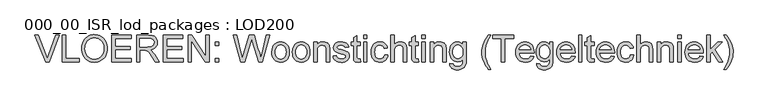
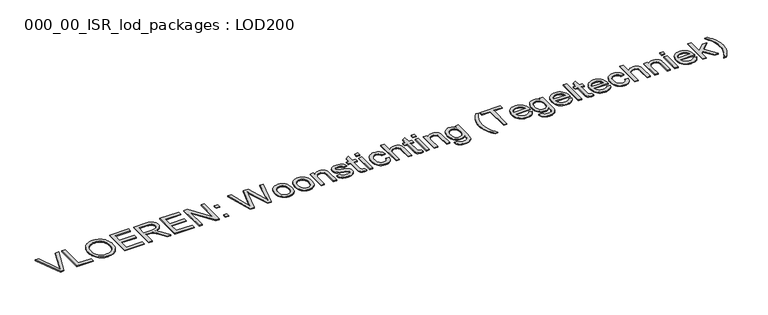
"""IFC4 building model written with IfcOpenShell, lengths in millimetres: proxy geometry, 000_00_ISR_lod_packages : LOD200."""

import ifcopenshell
import ifcopenshell.guid

model = None  # the IFC model being written
_history = None  # IfcOwnerHistory: only IFC2X3 demands one
_inside = {}  # id of a spatial element -> (the spatial element, [elements in it])
_under = {}  # id of a project, library or spatial element -> (it, [spatial elements below it])
_declared = {}  # id of a project -> (the project, [libraries it declares])
_typed = {}  # id of a type object -> (the type object, [elements of that type])
_made_of = {}  # id of a material, layer set ... -> (it, [elements and type objects made of it])


def new_model(schema):
    """Start an empty IFC model of exactly this schema.

    Asked for "IFC4X3", IfcOpenShell would pick the latest addendum, in which some entities
    have other attributes; the version numbers below select the first issue.
    IFC2X3 requires an IfcOwnerHistory on every rooted entity: one is made here for all.
    """
    global model, _history
    if schema == "IFC4X3":
        model = ifcopenshell.file(schema_version=(4, 3, 0, 0))
    else:
        model = ifcopenshell.file(schema=schema)
    _inside.clear()
    _under.clear()
    _declared.clear()
    _typed.clear()
    _made_of.clear()
    _history = None
    if model.schema == "IFC2X3":
        org = make("IfcOrganization", Name="unknown")
        user = make(
            "IfcPersonAndOrganization",
            ThePerson=make("IfcPerson", FamilyName="unknown"),
            TheOrganization=org,
        )
        app = make(
            "IfcApplication",
            ApplicationDeveloper=org,
            Version="unknown",
            ApplicationFullName="unknown",
            ApplicationIdentifier="unknown",
        )
        _history = make(
            "IfcOwnerHistory",
            OwningUser=user,
            OwningApplication=app,
            ChangeAction="ADDED",
            CreationDate=0,
        )
    return model


def make(cls, **values):
    """One entity of the class cls with the attributes given. An attribute that is None is left unset."""
    return model.create_entity(
        cls, **{name: value for name, value in values.items() if value is not None}
    )


def rooted(cls, **values):
    """An entity with a GlobalId (a new one), such as an element, a storey or a relation."""
    return make(cls, GlobalId=ifcopenshell.guid.new(), OwnerHistory=_history, **values)


def si_unit(unit_type, name, prefix=None):
    """IfcSIUnit, for example si_unit("LENGTHUNIT", "METRE", prefix="MILLI")."""
    return make("IfcSIUnit", UnitType=unit_type, Prefix=prefix, Name=name)


def assignment(units):
    """IfcUnitAssignment: the units of a project."""
    return None if units is None else make("IfcUnitAssignment", Units=units)


def point(xyz):
    """IfcCartesianPoint."""
    return None if xyz is None else make("IfcCartesianPoint", Coordinates=xyz)


def direction(xyz):
    """IfcDirection."""
    return None if xyz is None else make("IfcDirection", DirectionRatios=xyz)


def frame(location, z_axis=None, x_axis=None):
    """IfcAxis2Placement3D, a coordinate frame: its origin and axes. An axis left out is left unset."""
    return make(
        "IfcAxis2Placement3D",
        Location=point(location),
        Axis=direction(z_axis),
        RefDirection=direction(x_axis),
    )


def origin():
    """The frame at (0, 0, 0) with its axes left unset."""
    return frame((0.0, 0.0, 0.0))


def origin_with_axes():
    """The frame at (0, 0, 0) with the z axis (0, 0, 1) and the x axis (1, 0, 0) written out."""
    return frame((0.0, 0.0, 0.0), z_axis=(0.0, 0.0, 1.0), x_axis=(1.0, 0.0, 0.0))


def place(relative_to, where):
    """IfcLocalPlacement: puts the frame where relative to a parent placement (None: the world)."""
    return make(
        "IfcLocalPlacement", PlacementRelTo=relative_to, RelativePlacement=where
    )


def context(
    kind, dimensions, precision=None, world=None, true_north=None, identifier=None
):
    """IfcGeometricRepresentationContext, for example the 3D "Model" context."""
    return make(
        "IfcGeometricRepresentationContext",
        ContextIdentifier=identifier,
        ContextType=kind,
        CoordinateSpaceDimension=dimensions,
        Precision=precision,
        WorldCoordinateSystem=world,
        TrueNorth=true_north,
    )


def project(units=None, contexts=None):
    """IfcProject with its units and contexts."""
    return rooted(
        "IfcProject",
        Name="project",
        RepresentationContexts=contexts,
        UnitsInContext=assignment(units),
    )


def spatial(cls, under=None, at=None, **own):
    """A site, building, storey or space (cls), placed at a placement, below another one or the project."""
    s = rooted(cls, ObjectPlacement=at, **own)
    if under is not None:
        _under.setdefault(under.id(), (under, []))[1].append(s)
    return s


def polyline(points):
    """IfcPolyline through the points."""
    return make("IfcPolyline", Points=[point(p) for p in points])


def outline(outer, holes=None, kind="AREA"):
    """IfcArbitraryClosedProfileDef: a profile drawn as a closed curve; with holes, ...WithVoids."""
    if holes is None:
        return make("IfcArbitraryClosedProfileDef", ProfileType=kind, OuterCurve=outer)
    return make(
        "IfcArbitraryProfileDefWithVoids",
        ProfileType=kind,
        OuterCurve=outer,
        InnerCurves=holes,
    )


def extrude(swept, where, along, depth):
    """IfcExtrudedAreaSolid: the profile swept, set in the frame where, extruded along a direction by depth."""
    return make(
        "IfcExtrudedAreaSolid",
        SweptArea=swept,
        Position=where,
        ExtrudedDirection=direction(along),
        Depth=depth,
    )


def shape(context_of_items, identifier, shape_type, items):
    """IfcShapeRepresentation: the items that make up one representation, for example the "Body"."""
    return make(
        "IfcShapeRepresentation",
        ContextOfItems=context_of_items,
        RepresentationIdentifier=identifier,
        RepresentationType=shape_type,
        Items=items,
    )


def source(mapping_origin, context_of_items, identifier, shape_type, items):
    """IfcRepresentationMap: a shape defined once, which mapped items show again and again."""
    return make(
        "IfcRepresentationMap",
        MappingOrigin=mapping_origin,
        MappedRepresentation=shape(context_of_items, identifier, shape_type, items),
    )


def transform(
    local_origin,
    x_axis=None,
    y_axis=None,
    z_axis=None,
    scale=None,
    scale2=None,
    scale3=None,
    uniform=True,
):
    """IfcCartesianTransformationOperator3D, or its non-uniform kind. x_axis, y_axis, z_axis: its Axis1, 2, 3."""
    if uniform:
        return make(
            "IfcCartesianTransformationOperator3D",
            Axis1=direction(x_axis),
            Axis2=direction(y_axis),
            LocalOrigin=point(local_origin),
            Scale=scale,
            Axis3=direction(z_axis),
        )
    return make(
        "IfcCartesianTransformationOperator3DnonUniform",
        Axis1=direction(x_axis),
        Axis2=direction(y_axis),
        LocalOrigin=point(local_origin),
        Scale=scale,
        Axis3=direction(z_axis),
        Scale2=scale2,
        Scale3=scale3,
    )


def mapped(mapping_source, mapping_target):
    """IfcMappedItem: shows the shape of a source again, moved by a transform."""
    return make(
        "IfcMappedItem", MappingSource=mapping_source, MappingTarget=mapping_target
    )


def made_of(thing, what):
    """Note that an element or type object is made of a material, layer set ...; save() writes the relation."""
    if what is not None:
        _made_of.setdefault(what.id(), (what, []))[1].append(thing)
    return thing


def element(
    cls,
    number,
    at=None,
    inside=None,
    cuts=None,
    type_object=None,
    material=None,
    context=None,
    identifier="Body",
    shape_type=None,
    held_by="IfcProductDefinitionShape",
    body=None,
    shapes=None,
    **own,
):
    """One element of the class cls, such as IfcWall. Its Tag is "e" and its number.

    at: its placement. inside: the storey or other place that contains it. cuts: it is an
    opening in that element (IfcRelVoidsElement). A single representation is given by context,
    identifier, shape_type and body (its items); several are given by shapes. held_by: the class
    of the entity that holds the representations. save() writes the other relations.
    """
    e = rooted(cls, Tag="e%d" % number, ObjectPlacement=at, **own)
    if body is not None:
        shapes = [shape(context, identifier, shape_type, body)]
    if shapes is not None:
        e.Representation = make(held_by, Representations=shapes)
    if inside is not None:
        _inside.setdefault(inside.id(), (inside, []))[1].append(e)
    if cuts is not None:
        rooted(
            "IfcRelVoidsElement", RelatingBuildingElement=cuts, RelatedOpeningElement=e
        )
    if type_object is not None:
        _typed.setdefault(type_object.id(), (type_object, []))[1].append(e)
    return made_of(e, material)


def aggregate(whole, parts):
    """IfcRelAggregates: a whole, such as a stair, and the parts it consists of."""
    return rooted("IfcRelAggregates", RelatingObject=whole, RelatedObjects=parts)


def save(model, path):
    """Write the relations noted so far, then the file.

    IfcRelAggregates (storeys below a building ...), IfcRelContainedInSpatialStructure (elements
    in a storey), IfcRelDefinesByType, IfcRelAssociatesMaterial and IfcRelDeclares: one each for
    every whole, place, type object, material and project.
    """
    for whole, parts in _under.values():
        aggregate(whole, parts)
    for where, things in _inside.values():
        rooted(
            "IfcRelContainedInSpatialStructure",
            RelatedElements=things,
            RelatingStructure=where,
        )
    for kind, things in _typed.values():
        rooted("IfcRelDefinesByType", RelatedObjects=things, RelatingType=kind)
    for what, things in _made_of.values():
        rooted("IfcRelAssociatesMaterial", RelatedObjects=things, RelatingMaterial=what)
    for by, libraries in _declared.values():
        rooted("IfcRelDeclares", RelatingContext=by, RelatedDefinitions=libraries)
    model.write(path)


def proxy_000_00_isr_lod_packages_lod200_788804a2(model_context):
    return source(origin(), model_context, "Body", "SweptSolid", [
        extrude(outline(polyline([(823.5806792, 500.0), (505.4645712, 1299.3886983), (612.4140357, 1299.3886983), (825.3371485, 723.4619286), (868.4682281, 593.6783631), (911.013818, 723.4619286), (1124.5224206, 1299.3886983), (1231.4718851, 1299.3886983), (926.8220418, 500.0), (823.5806792, 500.0)])), origin_with_axes(), (0.0, 0.0, 1.0), 25.0),
        extrude(outline(polyline([(1324.3695952, 500.0), (1324.3695952, 1299.3886983), (1424.2931825, 1299.3886983), (1424.2931825, 599.9235873), (1823.9875316, 599.9235873), (1823.9875316, 500.0), (1324.3695952, 500.0)])), origin_with_axes(), (0.0, 0.0, 1.0), 25.0),
        extrude(outline(polyline([(1898.9302221, 889.1555333), (1900.5952086, 937.3822036), (1905.5901682, 982.9192803), (1913.9151009, 1025.7667634), (1925.5700066, 1065.9246528), (1940.5548854, 1103.3929486), (1958.8697372, 1138.1716508), (1980.5145621, 1170.2607594), (2005.4893601, 1199.6602743), (2033.0958126, 1225.9615725), (2062.6356011, 1248.756031), (2094.1087257, 1268.0436497), (2127.5151862, 1283.8244286), (2162.8549827, 1296.0983678), (2200.1281153, 1304.8654672), (2239.3345839, 1310.1257269), (2280.4743884, 1311.8791468), (2334.2540633, 1308.5857668), (2385.3258479, 1298.7056269), (2433.6897424, 1282.2387272), (2479.3457467, 1259.1850675), (2521.013102, 1230.239917), (2557.4110493, 1196.0985449), (2588.5395887, 1156.760951), (2614.3987202, 1112.2271354), (2634.7200943, 1063.5095075), (2649.2353614, 1011.6204767), (2657.9445218, 956.560043), (2660.8475752, 898.3282064), (2657.7920505, 839.3279144), (2648.6254763, 783.5234208), (2633.3478526, 730.9147255), (2611.9591795, 681.5018285), (2584.9656616, 636.5898841), (2552.8735036, 597.4840466), (2515.6827055, 564.184316), (2473.3932674, 536.6906922), (2427.6701757, 515.1739432), (2380.1784171, 499.8048367), (2330.9179914, 490.5833729), (2279.8888987, 487.5095516), (2225.1700006, 490.906612), (2173.4273423, 501.0977933), (2124.6609236, 518.0830955), (2078.8707445, 541.8625185), (2037.2521801, 571.5151358), (2001.0006052, 606.1200207), (1970.1160199, 645.6771732), (1944.5984241, 690.1865934), (1924.6185857, 737.8613176), (1910.3472726, 786.9143824), (1901.7844847, 837.3457876), (1898.9302221, 889.1555333)]), holes=[polyline([(1998.8538094, 888.179717), (2003.848769, 821.9339892), (2018.8336478, 763.1288605), (2043.8084457, 711.7643309), (2078.7731629, 667.8404005), (2121.2760608, 632.6622236), (2168.8654011, 607.5349543), (2221.5411838, 592.4585927), (2279.3034089, 587.4331389), (2338.0536479, 592.5073835), (2391.3515135, 607.7301175), (2439.1970056, 633.1013409), (2481.5901242, 668.6210536), (2500.1839985, 689.9822819), (2516.2986896, 713.4720094), (2541.090522, 766.8369624), (2555.9656214, 828.7159123), (2560.9239879, 899.1088594), (2558.8015875, 944.8380499), (2552.4343863, 987.5666054), (2541.8223842, 1027.2945258), (2526.9655813, 1064.0218111), (2508.0286466, 1097.266652), (2485.176249, 1126.5472394), (2458.4083886, 1151.863573), (2427.7250654, 1173.2156531), (2394.0777002, 1190.1643621), (2358.417714, 1202.2705829), (2320.7451066, 1209.5343153), (2281.0598782, 1211.9555595), (2225.3041754, 1207.2899379), (2173.5737147, 1193.2930731), (2125.8684962, 1169.9649651), (2082.1885199, 1137.3056139), (2062.6569471, 1117.0833461), (2045.729584, 1093.7415157), (2031.4064307, 1067.2801226), (2019.687487, 1037.6991669), (2010.5727531, 1004.9986484), (2004.0622288, 969.1785673), (1998.8538094, 888.179717)])]), origin_with_axes(), (0.0, 0.0, 1.0), 25.0),
        extrude(outline(polyline([(2798.2425077, 500.0), (2798.2425077, 1299.3886983), (3372.8031347, 1299.3886983), (3372.8031347, 1199.465111), (2898.166095, 1199.465111), (2898.166095, 962.1465912), (3347.8222378, 962.1465912), (3347.8222378, 862.2230039), (2898.166095, 862.2230039), (2898.166095, 599.9235873), (3385.2935831, 599.9235873), (3385.2935831, 500.0), (2798.2425077, 500.0)])), origin_with_axes(), (0.0, 0.0, 1.0), 25.0),
        extrude(outline(polyline([(3535.178964, 500.0), (3535.178964, 1299.3886983), (3879.6421116, 1299.3886983), (3972.2226814, 1293.9973134), (4009.0536472, 1287.2580822), (4039.5784003, 1277.8231585), (4065.5717065, 1264.966779), (4088.8083317, 1247.9631803), (4109.2882759, 1226.8123624), (4127.0115391, 1201.5143252), (4141.3133465, 1173.4291129), (4151.5289232, 1143.9167692), (4157.6582693, 1112.9772942), (4159.7013846, 1080.6106879), (4156.3165219, 1039.5532178), (4146.1619337, 1001.8623139), (4129.23762, 967.5379762), (4105.5435809, 936.5802046), (4074.7748738, 909.9770132), (4036.626556, 888.716416), (3991.0986276, 872.7984129), (3938.1910885, 862.2230039), (3971.1248881, 840.7062549), (3994.9835962, 819.4822508), (4035.9190892, 770.9353907), (4075.9763476, 716.6312146), (4209.2728517, 500.0), (4093.1507142, 500.0), (3989.1286985, 665.6936047), (3913.9908448, 775.3753548), (3886.0581037, 807.3577335), (3861.1991839, 827.1911994), (3837.6576161, 838.8278086), (3813.6769309, 846.2196169), (3755.7134438, 849.7325555), (3635.1025513, 849.7325555), (3635.1025513, 500.0), (3535.178964, 500.0)]), holes=[polyline([(3635.1025513, 949.6561428), (3858.7596432, 949.6561428), (3922.99275, 953.1934768), (3972.8325666, 963.8054789), (4010.3527026, 982.1996158), (4025.270494, 994.5802849), (4037.6267677, 1009.0833544), (4054.2400399, 1041.602432), (4059.7777973, 1076.902586), (4057.1369945, 1102.4567749), (4049.2145861, 1125.6446093), (4036.010572, 1146.4660892), (4017.5249523, 1164.9212147), (3993.3308073, 1180.0341693), (3963.0012175, 1190.829137), (3926.5361828, 1197.3061175), (3883.9357033, 1199.465111), (3635.1025513, 1199.465111), (3635.1025513, 949.6561428)])]), origin_with_axes(), (0.0, 0.0, 1.0), 25.0),
        extrude(outline(polyline([(4334.5676624, 500.0), (4334.5676624, 1299.3886983), (4909.1282893, 1299.3886983), (4909.1282893, 1199.465111), (4434.4912497, 1199.465111), (4434.4912497, 962.1465912), (4884.1473925, 962.1465912), (4884.1473925, 862.2230039), (4434.4912497, 862.2230039), (4434.4912497, 599.9235873), (4921.6187377, 599.9235873), (4921.6187377, 500.0), (4334.5676624, 500.0)])), origin_with_axes(), (0.0, 0.0, 1.0), 25.0),
        extrude(outline(polyline([(5071.5041186, 500.0), (5071.5041186, 1299.3886983), (5178.4535832, 1299.3886983), (5596.1029519, 666.0839312), (5596.1029519, 1299.3886983), (5696.0265392, 1299.3886983), (5696.0265392, 500.0), (5589.0770747, 500.0), (5171.4277059, 1133.4999304), (5171.4277059, 500.0), (5071.5041186, 500.0)])), origin_with_axes(), (0.0, 0.0, 1.0), 25.0),
        extrude(outline(polyline([(5883.3832654, 500.0), (5883.3832654, 599.9235873), (5983.3068527, 599.9235873), (5983.3068527, 500.0), (5883.3832654, 500.0)])), origin_with_axes(), (0.0, 0.0, 1.0), 25.0),
        extrude(outline(polyline([(5883.3832654, 987.1274881), (5883.3832654, 1087.0510753), (5983.3068527, 1087.0510753), (5983.3068527, 987.1274881), (5883.3832654, 987.1274881)])), origin_with_axes(), (0.0, 0.0, 1.0), 25.0),
        extrude(outline(polyline([(6638.4699045, 500.0), (6420.4725471, 1299.3886983), (6523.5187465, 1299.3886983), (6649.9845367, 774.009212), (6689.0171879, 611.8285459), (6730.7821248, 755.2735394), (6889.254689, 1299.3886983), (7037.7739272, 1299.3886983), (7152.9202485, 904.9637571), (7202.2477615, 758.5913148), (7238.5969181, 611.8285459), (7276.4585898, 769.3252939), (7404.0953595, 1299.3886983), (7507.1415589, 1299.3886983), (7288.9490382, 500.0), (7182.1947369, 500.0), (6990.5444191, 1116.7158903), (6963.807053, 1202.7828864), (6933.7519115, 1099.1511972), (6759.080797, 500.0), (6638.4699045, 500.0)])), origin_with_axes(), (0.0, 0.0, 1.0), 25.0),
        extrude(outline(polyline([(7569.593801, 793.5255377), (7574.9973836, 869.5538238), (7581.751862, 903.6250591), (7591.2081316, 935.0676894), (7603.3661926, 963.8817146), (7618.2260449, 990.0671346), (7635.7876886, 1013.6239495), (7656.0511236, 1034.5521594), (7694.132354, 1062.9850063), (7736.1656403, 1083.2941827), (7782.1509826, 1095.4796885), (7832.0883809, 1099.5415238), (7887.215902, 1094.595355), (7937.0618174, 1079.7568486), (7981.6261273, 1055.0260047), (8020.9088315, 1020.4028233), (8052.9704952, 977.0582838), (8075.8716836, 926.1633658), (8089.6123966, 867.7180694), (8094.1926342, 801.7223944), (8092.1678155, 748.2354645), (8086.0933591, 700.7742001), (8075.9692652, 659.3386012), (8061.7955337, 623.9286678), (8043.7490313, 593.3429262), (8022.0066248, 566.3799026), (7996.5683141, 543.0395969), (7967.4340992, 523.3220091), (7935.7383666, 507.654059), (7902.6155027, 496.462666), (7868.0655074, 489.7478302), (7832.0883809, 487.5095516), (7776.1558113, 492.4374238), (7725.8463831, 507.2210405), (7681.1600963, 531.8604016), (7642.0969507, 566.3555072), (7610.3768227, 610.1208674), (7587.7195884, 662.5709926), (7574.1252478, 723.7058827), (7569.593801, 793.5255377)]), holes=[polyline([(7669.5173883, 793.7207009), (7672.408244, 745.253126), (7681.0808112, 703.286927), (7695.5350899, 667.822104), (7715.77108, 638.858657), (7740.3860457, 616.3599928), (7767.9772511, 600.2895184), (7798.5446962, 590.6472338), (7832.0883809, 587.4331389), (7865.4612977, 590.6655303), (7895.9067657, 600.3627046), (7923.4247849, 616.5246618), (7948.0153552, 639.1514018), (7968.2513453, 668.4014949), (7982.705624, 704.4335111), (7991.3781912, 747.2474505), (7994.269047, 796.843313), (7991.3598947, 843.7739774), (7982.6324378, 884.642383), (7968.0866763, 919.44853), (7947.7226103, 948.1924184), (7923.0405572, 970.6910825), (7895.5408346, 986.7615569), (7865.2234425, 996.4038416), (7832.0883809, 999.6179365), (7798.5446962, 996.4160393), (7767.9772511, 986.8103478), (7740.3860457, 970.8008619), (7715.77108, 948.3875817), (7695.5350899, 919.5095186), (7681.0808112, 884.1056841), (7672.408244, 842.1760782), (7669.5173883, 793.7207009)])]), origin_with_axes(), (0.0, 0.0, 1.0), 25.0),
        extrude(outline(polyline([(8181.6257731, 793.5255377), (8187.0293558, 869.5538238), (8193.7838341, 903.6250591), (8203.2401038, 935.0676894), (8215.3981648, 963.8817146), (8230.2580171, 990.0671346), (8247.8196607, 1013.6239495), (8268.0830957, 1034.5521594), (8306.1643261, 1062.9850063), (8348.1976125, 1083.2941827), (8394.1829548, 1095.4796885), (8444.120353, 1099.5415238), (8499.2478741, 1094.595355), (8549.0937896, 1079.7568486), (8593.6580994, 1055.0260047), (8632.9408036, 1020.4028233), (8665.0024673, 977.0582838), (8687.9036557, 926.1633658), (8701.6443687, 867.7180694), (8706.2246064, 801.7223944), (8704.1997876, 748.2354645), (8698.1253313, 700.7742001), (8688.0012373, 659.3386012), (8673.8275058, 623.9286678), (8655.7810035, 593.3429262), (8634.0385969, 566.3799026), (8608.6002862, 543.0395969), (8579.4660714, 523.3220091), (8547.7703388, 507.654059), (8514.6474748, 496.462666), (8480.0974796, 489.7478302), (8444.120353, 487.5095516), (8388.1877835, 492.4374238), (8337.8783553, 507.2210405), (8293.1920684, 531.8604016), (8254.1289229, 566.3555072), (8222.4087949, 610.1208674), (8199.7515606, 662.5709926), (8186.15722, 723.7058827), (8181.6257731, 793.5255377)]), holes=[polyline([(8281.5493604, 793.7207009), (8284.4402162, 745.253126), (8293.1127834, 703.286927), (8307.567062, 667.822104), (8327.8030522, 638.858657), (8352.4180179, 616.3599928), (8380.0092233, 600.2895184), (8410.5766683, 590.6472338), (8444.120353, 587.4331389), (8477.4932699, 590.6655303), (8507.9387379, 600.3627046), (8535.456757, 616.5246618), (8560.0473274, 639.1514018), (8580.2833175, 668.4014949), (8594.7375962, 704.4335111), (8603.4101634, 747.2474505), (8606.3010191, 796.843313), (8603.3918668, 843.7739774), (8594.66441, 884.642383), (8580.1186485, 919.44853), (8559.7545825, 948.1924184), (8535.0725294, 970.6910825), (8507.5728068, 986.7615569), (8477.2554147, 996.4038416), (8444.120353, 999.6179365), (8410.5766683, 996.4160393), (8380.0092233, 986.8103478), (8352.4180179, 970.8008619), (8327.8030522, 948.3875817), (8307.567062, 919.5095186), (8293.1127834, 884.1056841), (8284.4402162, 842.1760782), (8281.5493604, 793.7207009)])]), origin_with_axes(), (0.0, 0.0, 1.0), 25.0),
        extrude(outline(polyline([(8818.6386421, 500.0), (8818.6386421, 1087.0510753), (8918.5622294, 1087.0510753), (8918.5622294, 1005.0825076), (8935.0474257, 1027.2213395), (8953.2768937, 1046.4083272), (8973.2506332, 1062.6434706), (8994.9686443, 1075.9267697), (9018.430927, 1086.2582246), (9043.6374814, 1093.6378352), (9099.2834049, 1099.5415238), (9148.5377317, 1094.7844194), (9193.6448394, 1080.5131063), (9231.262557, 1058.5084491), (9258.048714, 1030.5513126), (9276.2232922, 996.714883), (9288.0062738, 957.0723466), (9291.9583298, 919.161884), (9293.2756818, 860.4665346), (9293.2756818, 500.0), (9193.3520945, 500.0), (9193.3520945, 847.0002699), (9190.4734364, 898.6697421), (9181.8374623, 935.4092251), (9165.9072615, 961.7318693), (9141.1459234, 982.150825), (9109.4074988, 995.2511586), (9072.5460387, 999.6179365), (9042.2042512, 997.1661981), (9014.0214572, 989.8109828), (8987.9976567, 977.5522908), (8964.1328498, 960.3901219), (8944.1957034, 936.3728437), (8929.9548845, 903.5488235), (8921.4103932, 861.9180613), (8918.5622294, 811.4805573), (8918.5622294, 500.0), (8818.6386421, 500.0)])), origin_with_axes(), (0.0, 0.0, 1.0), 25.0),
        extrude(outline(polyline([(9393.1992691, 674.8662778), (9493.1228563, 687.3567262), (9499.1607196, 664.571416), (9508.8822893, 644.615973), (9522.2875655, 627.4903973), (9539.3765481, 613.1946887), (9560.198028, 601.9240107), (9584.8007961, 593.8735263), (9613.1848522, 589.0432357), (9645.3501964, 587.4331389), (9677.4789475, 588.909061), (9705.1677345, 593.3368274), (9728.4165574, 600.716438), (9747.2254162, 611.0478929), (9761.7406834, 623.3675735), (9772.1087314, 636.7118611), (9778.3295602, 651.0807559), (9780.4031698, 666.4742577), (9778.3173625, 679.9649178), (9772.0599406, 691.9430627), (9761.6309041, 702.4086923), (9747.030253, 711.3618067), (9709.6076985, 724.0474184), (9644.1792168, 739.8556422), (9552.9891853, 766.2270772), (9493.7083461, 788.7440379), (9455.6271157, 813.3102128), (9440.5202599, 828.5756388), (9428.0359103, 845.8292904), (9411.2762657, 884.2276611), (9405.6897175, 926.4317153), (9410.1784724, 965.1472263), (9423.6447371, 1000.8864976), (9444.8687412, 1032.2345957), (9472.6307144, 1057.7765869), (9500.2219198, 1073.8531601), (9536.1563544, 1087.3438202), (9577.7017326, 1096.4920979), (9622.1257688, 1099.5415238), (9687.1639241, 1094.6380469), (9743.7124776, 1079.9276165), (9789.1855164, 1056.8495614), (9806.7990002, 1042.712423), (9820.9971272, 1026.8432107), (9842.0747588, 987.6885824), (9855.3458603, 937.1656944), (9755.422273, 924.675246), (9750.6590698, 941.3678033), (9742.8098475, 956.1209257), (9731.8746063, 968.9346132), (9717.8533461, 979.8088659), (9700.6850784, 988.4753343), (9680.3088147, 994.6656688), (9629.9322991, 999.6179365), (9572.5543017, 994.8852275), (9551.0375527, 988.9693413), (9534.3023035, 980.6871006), (9512.7855544, 960.1949587), (9507.4063672, 948.7779082), (9505.6133048, 936.5802046), (9508.5895444, 921.2110982), (9517.5182634, 907.5008794), (9532.7897882, 895.2543851), (9554.7944454, 885.4474315), (9640.8614415, 864.1746365), (9729.1484196, 838.071551), (9787.5266287, 817.1402917), (9826.2665351, 794.6477264), (9855.6386052, 763.8607227), (9866.4396716, 745.332411), (9874.1547191, 724.681699), (9878.7837476, 701.9085865), (9880.3267571, 677.0130736), (9878.5153981, 652.0077814), (9873.0813212, 627.7343513), (9864.0245263, 604.1927835), (9851.3450135, 581.3830779), (9835.2501437, 560.2139635), (9815.9472779, 541.594169), (9793.436416, 525.5236946), (9767.7175581, 512.0025403), (9739.4920722, 501.2868577), (9709.4613261, 493.6327988), (9677.6253199, 489.0403634), (9643.9840536, 487.5095516), (9590.2043787, 490.4613958), (9543.2310224, 499.3169286), (9503.0639847, 514.0761499), (9469.7032656, 534.7390596), (9442.4535959, 561.2080763), (9420.6197066, 593.3856182), (9404.2015976, 631.2716854), (9393.1992691, 674.8662778)])), origin_with_axes(), (0.0, 0.0, 1.0), 25.0),
        extrude(outline(polyline([(10205.0784158, 583.3347105), (10217.5688642, 497.0725512), (10177.999514, 489.9003015), (10142.821337, 487.5095516), (10094.8599667, 491.6567708), (10059.0963, 504.0984284), (10033.8226583, 523.2732183), (10017.3313631, 547.6198346), (10008.2562717, 589.4335623), (10005.2312412, 661.0096866), (10005.2312412, 987.1274881), (9930.2885508, 987.1274881), (9930.2885508, 1087.0510753), (10005.2312412, 1087.0510753), (10005.2312412, 1229.7154158), (10105.1548285, 1288.459556), (10105.1548285, 1087.0510753), (10205.0784158, 1087.0510753), (10205.0784158, 987.1274881), (10105.1548285, 987.1274881), (10105.1548285, 663.9371354), (10106.4721805, 631.0521267), (10110.4242364, 612.4140357), (10117.3281366, 602.0947785), (10127.5010214, 594.1662712), (10141.9187069, 589.116422), (10161.5570096, 587.4331389), (10205.0784158, 583.3347105)])), origin_with_axes(), (0.0, 0.0, 1.0), 25.0),
        extrude(outline(polyline([(10305.0020031, 500.0), (10305.0020031, 1087.0510753), (10404.9255904, 1087.0510753), (10404.9255904, 500.0), (10305.0020031, 500.0)])), origin_with_axes(), (0.0, 0.0, 1.0), 25.0),
        extrude(outline(polyline([(10305.0020031, 1199.465111), (10305.0020031, 1299.3886983), (10404.9255904, 1299.3886983), (10404.9255904, 1199.465111), (10305.0020031, 1199.465111)])), origin_with_axes(), (0.0, 0.0, 1.0), 25.0),
        extrude(outline(polyline([(10929.5244237, 712.337623), (11029.448011, 699.8471746), (11018.5798571, 652.6969516), (11001.5884561, 610.9747067), (10978.4738079, 574.6804398), (10949.2359126, 543.8141511), (10915.1067381, 519.1808888), (10877.3182526, 501.5857015), (10835.870456, 491.0285891), (10790.7633484, 487.5095516), (10734.7209995, 492.4191273), (10684.4725598, 507.1478543), (10640.0180293, 531.6957326), (10601.357408, 566.0627623), (10570.0641996, 609.602465), (10547.7119079, 661.6683625), (10534.3005329, 722.2604548), (10529.8300745, 791.3787419), (10531.7390151, 837.3213922), (10537.4658369, 880.3000006), (10547.0105399, 920.314567), (10560.3731241, 957.3650914), (10577.6450723, 990.707514), (10598.9178673, 1019.5977748), (10624.191509, 1044.0358739), (10653.4659975, 1064.0218111), (10685.4178818, 1079.5616854), (10718.7237113, 1090.6615956), (10753.3834859, 1097.3215417), (10789.3972056, 1099.5415238), (10833.729759, 1096.4920979), (10873.8297094, 1087.3438202), (10909.6970566, 1072.0966908), (10941.3318007, 1050.7507096), (10968.1972427, 1023.7937849), (10989.7566837, 991.7138246), (11006.0101236, 954.5108288), (11016.9575626, 912.1847976), (10917.0339753, 899.6943492), (10909.2335439, 923.0346549), (10898.9081878, 943.2889416), (10886.0579072, 960.4572093), (10870.6827019, 974.539458), (10853.1728985, 985.5112923), (10833.9188234, 993.3483169), (10812.9204768, 998.0505316), (10790.1778586, 999.6179365), (10756.2255508, 996.5319175), (10725.6032161, 987.2738605), (10698.3108545, 971.8437655), (10674.3484659, 950.2416326), (10654.8382391, 921.9673558), (10640.9023628, 886.5208294), (10632.5408371, 843.9020532), (10629.7536618, 794.1110274), (10632.4798485, 743.5698429), (10640.6584088, 700.4570598), (10654.2893424, 664.7726781), (10673.3726496, 636.5166979), (10696.8593278, 615.0426408), (10723.7003744, 599.7040286), (10753.8957894, 590.5008613), (10787.445573, 587.4331389), (10814.4817829, 589.3481783), (10839.1882314, 595.0932967), (10861.5649185, 604.668494), (10881.6118442, 618.0737701), (10898.7679142, 635.4554977), (10912.4720342, 656.960049), (10922.724204, 682.5874241), (10929.5244237, 712.337623)])), origin_with_axes(), (0.0, 0.0, 1.0), 25.0),
        extrude(outline(polyline([(11116.8811499, 500.0), (11116.8811499, 1299.3886983), (11216.8047371, 1299.3886983), (11216.8047371, 1005.4728342), (11253.5076271, 1046.6278859), (11294.7236673, 1076.0243514), (11340.4528578, 1093.6622307), (11390.6951986, 1099.5415238), (11421.9335174, 1097.9375257), (11451.0494357, 1093.1255317), (11478.0429536, 1085.1055416), (11502.9140711, 1073.8775555), (11525.0285076, 1059.8197022), (11543.7519825, 1043.3101105), (11559.0844958, 1024.3487804), (11571.0260476, 1002.9357118), (11579.9913597, 977.747454), (11586.395154, 947.4605562), (11591.5181895, 871.5908402), (11591.5181895, 500.0), (11491.5946022, 500.0), (11491.5946022, 861.2471877), (11489.6063765, 894.9860356), (11483.6416995, 923.7970113), (11473.7005711, 947.6801148), (11459.7829914, 966.6353461), (11442.2182983, 981.0652294), (11421.3358299, 991.3722889), (11397.1355861, 997.5565246), (11369.6175669, 999.6179365), (11327.3891173, 994.0557837), (11287.7465809, 977.3693252), (11269.9501314, 965.2570056), (11254.910363, 951.1686581), (11242.6272755, 935.1042825), (11233.1008691, 917.063879), (11220.8787701, 871.7372127), (11216.8047371, 811.8708838), (11216.8047371, 500.0), (11116.8811499, 500.0)])), origin_with_axes(), (0.0, 0.0, 1.0), 25.0),
        extrude(outline(polyline([(11941.250745, 583.3347105), (11953.7411934, 497.0725512), (11914.1718432, 489.9003015), (11878.9936662, 487.5095516), (11831.032296, 491.6567708), (11795.2686292, 504.0984284), (11769.9949875, 523.2732183), (11753.5036923, 547.6198346), (11744.4286009, 589.4335623), (11741.4035704, 661.0096866), (11741.4035704, 987.1274881), (11666.46088, 987.1274881), (11666.46088, 1087.0510753), (11741.4035704, 1087.0510753), (11741.4035704, 1229.7154158), (11841.3271577, 1288.459556), (11841.3271577, 1087.0510753), (11941.250745, 1087.0510753), (11941.250745, 987.1274881), (11841.3271577, 987.1274881), (11841.3271577, 663.9371354), (11842.6445097, 631.0521267), (11846.5965657, 612.4140357), (11853.5004658, 602.0947785), (11863.6733506, 594.1662712), (11878.0910362, 589.116422), (11897.7293388, 587.4331389), (11941.250745, 583.3347105)])), origin_with_axes(), (0.0, 0.0, 1.0), 25.0),
        extrude(outline(polyline([(12041.1743323, 500.0), (12041.1743323, 1087.0510753), (12141.0979196, 1087.0510753), (12141.0979196, 500.0), (12041.1743323, 500.0)])), origin_with_axes(), (0.0, 0.0, 1.0), 25.0),
        extrude(outline(polyline([(12041.1743323, 1199.465111), (12041.1743323, 1299.3886983), (12141.0979196, 1299.3886983), (12141.0979196, 1199.465111), (12041.1743323, 1199.465111)])), origin_with_axes(), (0.0, 0.0, 1.0), 25.0),
        extrude(outline(polyline([(12290.9833005, 500.0), (12290.9833005, 1087.0510753), (12390.9068878, 1087.0510753), (12390.9068878, 1005.0825076), (12407.3920842, 1027.2213395), (12425.6215521, 1046.4083272), (12445.5952916, 1062.6434706), (12467.3133027, 1075.9267697), (12490.7755855, 1086.2582246), (12515.9821398, 1093.6378352), (12571.6280633, 1099.5415238), (12620.8823901, 1094.7844194), (12665.9894978, 1080.5131063), (12703.6072155, 1058.5084491), (12730.3933724, 1030.5513126), (12748.5679507, 996.714883), (12760.3509323, 957.0723466), (12764.3029882, 919.161884), (12765.6203402, 860.4665346), (12765.6203402, 500.0), (12665.6967529, 500.0), (12665.6967529, 847.0002699), (12662.8180949, 898.6697421), (12654.1821208, 935.4092251), (12638.25192, 961.7318693), (12613.4905818, 982.150825), (12581.7521572, 995.2511586), (12544.8906972, 999.6179365), (12514.5489096, 997.1661981), (12486.3661156, 989.8109828), (12460.3423152, 977.5522908), (12436.4775082, 960.3901219), (12416.5403618, 936.3728437), (12402.2995429, 903.5488235), (12393.7550516, 861.9180613), (12390.9068878, 811.4805573), (12390.9068878, 500.0), (12290.9833005, 500.0)])), origin_with_axes(), (0.0, 0.0, 1.0), 25.0),
        extrude(outline(polyline([(12878.0343759, 450.0382064), (12977.9579632, 437.5477579), (12982.1783686, 420.7149271), (12988.9846872, 406.3216369), (12998.3769189, 394.3678875), (13010.3550638, 384.8536787), (13029.7372147, 375.1199113), (13052.3639547, 368.1672203), (13107.3512022, 362.6050675), (13138.5529278, 364.1785712), (13165.9977608, 368.8990825), (13189.685701, 376.7666013), (13209.6167486, 387.7811276), (13226.2056254, 401.6377188), (13239.8670533, 418.0314323), (13250.6010324, 436.9622682), (13258.4075627, 458.4302264), (13263.823343, 501.4149336), (13265.2382766, 574.9426905), (13231.9873368, 542.1552634), (13194.8819227, 518.7356726), (13153.9220343, 504.6839182), (13109.1076715, 500.0), (13054.3216861, 505.4523735), (13006.0858675, 521.8094939), (12984.4242708, 534.0773342), (12964.4002157, 549.0713613), (12929.2647307, 587.2379756), (12901.3868793, 633.0281547), (12881.4741283, 683.1607162), (12869.5264777, 737.6356601), (12865.5439275, 796.4529865), (12867.330891, 837.6019394), (12872.6917817, 877.1285976), (12881.6265996, 915.0329614), (12894.1353445, 951.3150305), (12910.0289522, 984.7672324), (12929.1183583, 1014.1819945), (12951.4035626, 1039.5593167), (12976.8845653, 1060.899199), (13005.1527432, 1077.8052161), (13035.7994733, 1089.8809426), (13068.8247556, 1097.1263785), (13104.2285901, 1099.5415238), (13150.9579923, 1094.0769526), (13193.3694075, 1077.683239), (13231.4628356, 1050.3603831), (13265.2382766, 1012.1083849), (13265.2382766, 1087.0510753), (13365.1618639, 1087.0510753), (13365.1618639, 580.2120984), (13363.4541854, 516.704755), (13358.33115, 463.1873308), (13349.7927575, 419.6598257), (13337.839008, 386.1222399), (13322.1832556, 359.0738323), (13302.538854, 335.0138621), (13278.9058035, 313.9423293), (13251.2841038, 295.8592338), (13219.9543023, 281.3439666), (13185.1969461, 270.9759186), (13147.0120352, 264.7550898), (13105.3995696, 262.6814802), (13056.4440865, 265.6028302), (13012.4286733, 274.3668802), (12973.3533301, 288.9736301), (12939.2180568, 309.4230801), (12911.645148, 335.7396255), (12892.2568982, 367.9476616), (12881.0533075, 406.0471886), (12878.0343759, 450.0382064)]), holes=[polyline([(12965.4675148, 803.2837005), (12968.132713, 753.8769024), (12976.1283077, 711.6301562), (12989.4542988, 676.543462), (13008.1106863, 648.6168198), (13030.792316, 627.3135306), (13056.1940336, 612.0968954), (13084.3158391, 602.9669143), (13115.1577325, 599.9235873), (13145.6946832, 602.9486178), (13173.682314, 612.0237092), (13199.1206247, 627.1488616), (13222.0096154, 648.3240749), (13240.9221547, 675.9762688), (13254.4311113, 710.5323629), (13262.5364853, 751.9923572), (13265.2382766, 800.3562516), (13262.4572002, 846.7014262), (13254.113971, 886.9843421), (13240.208589, 921.2049993), (13220.7410542, 949.3633979), (13197.3580565, 971.3497585), (13171.706286, 987.0543018), (13143.7857426, 996.4770278), (13113.5964264, 999.6179365), (13083.9133149, 996.5258186), (13056.5355693, 987.2494651), (13031.4631897, 971.7888759), (13008.6961761, 950.144051), (12989.7836368, 922.412572), (12976.2746801, 888.6920206), (12968.1693061, 848.9823968), (12965.4675148, 803.2837005)])]), origin_with_axes(), (0.0, 0.0, 1.0), 25.0),
        extrude(outline(polyline([(14027.1556298, 275.1719286), (13986.8178242, 327.365902), (13949.7246078, 383.8290716), (13915.8759805, 444.5614375), (13885.2719423, 509.5629996), (13859.9129167, 577.309045), (13841.799327, 646.2748607), (13830.9311731, 716.4604468), (13827.3084552, 787.8658032), (13830.0163454, 850.6229879), (13838.1400159, 912.0384251), (13851.6794668, 972.112115), (13870.6346981, 1030.8440575), (13899.4456738, 1098.1997764), (13935.1361543, 1165.4091228), (13977.7061397, 1232.4720968), (14027.1556298, 1299.3886983), (14102.0983202, 1299.3886983), (14043.3053892, 1204.3929833), (14008.6151204, 1141.1112974), (13976.705928, 1065.9734437), (13952.4081025, 987.7129778), (13933.5260575, 887.7405997), (13927.2320425, 787.2803135), (13929.9643281, 723.2240734), (13938.1611848, 659.180031), (13951.8226128, 595.1481864), (13970.9486119, 531.1285394), (13995.5391822, 467.1210901), (14025.5943237, 403.1258386), (14061.1140364, 339.1427847), (14102.0983202, 275.1719286), (14027.1556298, 275.1719286)])), origin_with_axes(), (0.0, 0.0, 1.0), 25.0),
        extrude(outline(polyline([(14414.3595305, 500.0), (14414.3595305, 1199.465111), (14152.0601139, 1199.465111), (14152.0601139, 1299.3886983), (14776.5825345, 1299.3886983), (14776.5825345, 1199.465111), (14514.2831178, 1199.465111), (14514.2831178, 500.0), (14414.3595305, 500.0)])), origin_with_axes(), (0.0, 0.0, 1.0), 25.0),
        extrude(outline(polyline([(15287.5199398, 674.8662778), (15385.4918945, 662.3758294), (15370.4704226, 623.1358171), (15350.1917405, 588.5553276), (15324.6558482, 558.6343609), (15293.8627456, 533.3729168), (15258.1295731, 513.3076945), (15217.773471, 498.9753929), (15172.7944393, 490.3760119), (15123.1924779, 487.5095516), (15061.1915508, 492.4557204), (15005.9481516, 507.2942267), (14957.4622801, 532.0250706), (14915.7339363, 566.6482521), (14882.1780539, 610.2001525), (14858.2095665, 661.7171534), (14843.828474, 721.1992546), (14839.0347765, 788.6464563), (14843.8772648, 858.3807273), (14858.4047297, 919.8449554), (14882.6171712, 973.0391405), (14898.3552582, 996.5349669), (14916.5145893, 1017.9632826), (14958.1331537, 1053.6537631), (15005.5090342, 1079.1469635), (15058.6422308, 1094.4428837), (15117.5327434, 1099.5415238), (15174.5265132, 1094.4550814), (15226.0679094, 1079.1957543), (15272.1569322, 1053.7635424), (15312.7935815, 1018.1584458), (15345.9652362, 973.3318854), (15369.6592753, 920.2352819), (15383.8756988, 858.8686355), (15388.6145066, 789.231946), (15388.0290169, 762.2994166), (14938.9583638, 762.2994166), (14944.7461741, 722.4251238), (14956.2547074, 687.5030986), (14973.4839636, 657.5333411), (14996.4339428, 632.5158511), (15023.8360838, 612.7921645), (15054.4218254, 598.7038169), (15088.1911676, 590.2508084), (15125.1441104, 587.4331389), (15178.3260978, 592.653756), (15223.1160652, 608.3156073), (15242.3640413, 620.3059499), (15259.5140125, 635.3945091), (15274.5659786, 653.5812851), (15287.5199398, 674.8662778)]), holes=[polyline([(14938.9583638, 862.2230039), (15288.6909193, 862.2230039), (15283.5556861, 890.4972807), (15275.1758638, 915.0146648), (15263.5514524, 935.7751562), (15248.6824518, 952.7787549), (15221.4327821, 973.2708968), (15190.4262197, 987.9081411), (15155.6627647, 996.6904876), (15117.1424169, 999.6179365), (15082.0069319, 997.2820762), (15049.786698, 990.2744956), (15020.4817153, 978.5951944), (14994.0919837, 962.2441729), (14971.947053, 941.9776884), (14955.3764728, 918.5519988), (14944.380243, 891.967104), (14938.9583638, 862.2230039)])]), origin_with_axes(), (0.0, 0.0, 1.0), 25.0),
        extrude(outline(polyline([(15463.5571971, 450.0382064), (15563.4807844, 437.5477579), (15567.7011898, 420.7149271), (15574.5075084, 406.3216369), (15583.8997401, 394.3678875), (15595.877885, 384.8536787), (15615.2600359, 375.1199113), (15637.8867759, 368.1672203), (15692.8740234, 362.6050675), (15724.075749, 364.1785712), (15751.520582, 368.8990825), (15775.2085222, 376.7666013), (15795.1395698, 387.7811276), (15811.7284466, 401.6377188), (15825.3898745, 418.0314323), (15836.1238536, 436.9622682), (15843.9303839, 458.4302264), (15849.3461642, 501.4149336), (15850.7610978, 574.9426905), (15817.510158, 542.1552634), (15780.4047439, 518.7356726), (15739.4448555, 504.6839182), (15694.6304927, 500.0), (15639.8445073, 505.4523735), (15591.6086887, 521.8094939), (15569.947092, 534.0773342), (15549.9230369, 549.0713613), (15514.7875519, 587.2379756), (15486.9097005, 633.0281547), (15466.9969495, 683.1607162), (15455.0492989, 737.6356601), (15451.0667487, 796.4529865), (15452.8537122, 837.6019394), (15458.2146029, 877.1285976), (15467.1494208, 915.0329614), (15479.6581657, 951.3150305), (15495.5517734, 984.7672324), (15514.6411795, 1014.1819945), (15536.9263838, 1039.5593167), (15562.4073865, 1060.899199), (15590.6755644, 1077.8052161), (15621.3222945, 1089.8809426), (15654.3475768, 1097.1263785), (15689.7514113, 1099.5415238), (15736.4808135, 1094.0769526), (15778.8922287, 1077.683239), (15816.9856568, 1050.3603831), (15850.7610978, 1012.1083849), (15850.7610978, 1087.0510753), (15950.6846851, 1087.0510753), (15950.6846851, 580.2120984), (15948.9770066, 516.704755), (15943.8539712, 463.1873308), (15935.3155787, 419.6598257), (15923.3618292, 386.1222399), (15907.7060768, 359.0738323), (15888.0616752, 335.0138621), (15864.4286247, 313.9423293), (15836.806925, 295.8592338), (15805.4771235, 281.3439666), (15770.7197673, 270.9759186), (15732.5348564, 264.7550898), (15690.9223908, 262.6814802), (15641.9669077, 265.6028302), (15597.9514946, 274.3668802), (15558.8761513, 288.9736301), (15524.740878, 309.4230801), (15497.1679692, 335.7396255), (15477.7797194, 367.9476616), (15466.5761287, 406.0471886), (15463.5571971, 450.0382064)]), holes=[polyline([(15550.990336, 803.2837005), (15553.6555342, 753.8769024), (15561.6511289, 711.6301562), (15574.97712, 676.543462), (15593.6335075, 648.6168198), (15616.3151372, 627.3135306), (15641.7168548, 612.0968954), (15669.8386603, 602.9669143), (15700.6805537, 599.9235873), (15731.2175044, 602.9486178), (15759.2051352, 612.0237092), (15784.6434459, 627.1488616), (15807.5324366, 648.3240749), (15826.4449759, 675.9762688), (15839.9539325, 710.5323629), (15848.0593065, 751.9923572), (15850.7610978, 800.3562516), (15847.9800214, 846.7014262), (15839.6367922, 886.9843421), (15825.7314102, 921.2049993), (15806.2638754, 949.3633979), (15782.8808777, 971.3497585), (15757.2291072, 987.0543018), (15729.3085638, 996.4770278), (15699.1192476, 999.6179365), (15669.4361361, 996.5258186), (15642.0583905, 987.2494651), (15616.9860109, 971.7888759), (15594.2189973, 950.144051), (15575.306458, 922.412572), (15561.7975013, 888.6920206), (15553.6921273, 848.9823968), (15550.990336, 803.2837005)])]), origin_with_axes(), (0.0, 0.0, 1.0), 25.0),
        extrude(outline(polyline([(16511.5838841, 674.8662778), (16609.5558389, 662.3758294), (16594.534367, 623.1358171), (16574.2556848, 588.5553276), (16548.7197925, 558.6343609), (16517.92669, 533.3729168), (16482.1935175, 513.3076945), (16441.8374154, 498.9753929), (16396.8583836, 490.3760119), (16347.2564222, 487.5095516), (16285.2554952, 492.4557204), (16230.0120959, 507.2942267), (16181.5262244, 532.0250706), (16139.7978806, 566.6482521), (16106.2419982, 610.2001525), (16082.2735108, 661.7171534), (16067.8924183, 721.1992546), (16063.0987208, 788.6464563), (16067.9412091, 858.3807273), (16082.468674, 919.8449554), (16106.6811155, 973.0391405), (16122.4192025, 996.5349669), (16140.5785336, 1017.9632826), (16182.1970981, 1053.6537631), (16229.5729786, 1079.1469635), (16282.7061751, 1094.4428837), (16341.5966878, 1099.5415238), (16398.5904575, 1094.4550814), (16450.1318538, 1079.1957543), (16496.2208765, 1053.7635424), (16536.8575258, 1018.1584458), (16570.0291806, 973.3318854), (16593.7232197, 920.2352819), (16607.9396431, 858.8686355), (16612.678451, 789.231946), (16612.0929612, 762.2994166), (16163.0223081, 762.2994166), (16168.8101185, 722.4251238), (16180.3186517, 687.5030986), (16197.547908, 657.5333411), (16220.4978872, 632.5158511), (16247.9000281, 612.7921645), (16278.4857697, 598.7038169), (16312.2551119, 590.2508084), (16349.2080548, 587.4331389), (16402.3900422, 592.653756), (16447.1800095, 608.3156073), (16466.4279857, 620.3059499), (16483.5779568, 635.3945091), (16498.629923, 653.5812851), (16511.5838841, 674.8662778)]), holes=[polyline([(16163.0223081, 862.2230039), (16512.7548637, 862.2230039), (16507.6196305, 890.4972807), (16499.2398082, 915.0146648), (16487.6153967, 935.7751562), (16472.7463961, 952.7787549), (16445.4967264, 973.2708968), (16414.4901641, 987.9081411), (16379.726709, 996.6904876), (16341.2063613, 999.6179365), (16306.0708763, 997.2820762), (16273.8506424, 990.2744956), (16244.5456597, 978.5951944), (16218.1559281, 962.2441729), (16196.0109973, 941.9776884), (16179.4404171, 918.5519988), (16168.4441874, 891.967104), (16163.0223081, 862.2230039)])]), origin_with_axes(), (0.0, 0.0, 1.0), 25.0),
        extrude(outline(polyline([(17174.7486295, 583.3347105), (17187.2390779, 497.0725512), (17147.6697276, 489.9003015), (17112.4915507, 487.5095516), (17064.5301804, 491.6567708), (17028.7665137, 504.0984284), (17003.492872, 523.2732183), (16987.0015768, 547.6198346), (16977.9264854, 589.4335623), (16974.9014549, 661.0096866), (16974.9014549, 987.1274881), (16899.9587644, 987.1274881), (16899.9587644, 1087.0510753), (16974.9014549, 1087.0510753), (16974.9014549, 1229.7154158), (17074.8250422, 1288.459556), (17074.8250422, 1087.0510753), (17174.7486295, 1087.0510753), (17174.7486295, 987.1274881), (17074.8250422, 987.1274881), (17074.8250422, 663.9371354), (17076.1423942, 631.0521267), (17080.0944501, 612.4140357), (17086.9983503, 602.0947785), (17097.171235, 594.1662712), (17111.5889206, 589.116422), (17131.2272233, 587.4331389), (17174.7486295, 583.3347105)])), origin_with_axes(), (0.0, 0.0, 1.0), 25.0),
        extrude(outline(polyline([(17685.6860348, 674.8662778), (17783.6579895, 662.3758294), (17768.6365177, 623.1358171), (17748.3578355, 588.5553276), (17722.8219432, 558.6343609), (17692.0288406, 533.3729168), (17656.2956682, 513.3076945), (17615.939566, 498.9753929), (17570.9605343, 490.3760119), (17521.3585729, 487.5095516), (17459.3576459, 492.4557204), (17404.1142466, 507.2942267), (17355.6283751, 532.0250706), (17313.9000313, 566.6482521), (17280.3441489, 610.2001525), (17256.3756615, 661.7171534), (17241.994569, 721.1992546), (17237.2008715, 788.6464563), (17242.0433598, 858.3807273), (17256.5708247, 919.8449554), (17280.7832662, 973.0391405), (17296.5213532, 996.5349669), (17314.6806843, 1017.9632826), (17356.2992488, 1053.6537631), (17403.6751293, 1079.1469635), (17456.8083258, 1094.4428837), (17515.6988385, 1099.5415238), (17572.6926082, 1094.4550814), (17624.2340044, 1079.1957543), (17670.3230272, 1053.7635424), (17710.9596765, 1018.1584458), (17744.1313313, 973.3318854), (17767.8253704, 920.2352819), (17782.0417938, 858.8686355), (17786.7806016, 789.231946), (17786.1951119, 762.2994166), (17337.1244588, 762.2994166), (17342.9122692, 722.4251238), (17354.4208024, 687.5030986), (17371.6500587, 657.5333411), (17394.6000378, 632.5158511), (17422.0021788, 612.7921645), (17452.5879204, 598.7038169), (17486.3572626, 590.2508084), (17523.3102055, 587.4331389), (17576.4921928, 592.653756), (17621.2821602, 608.3156073), (17640.5301364, 620.3059499), (17657.6801075, 635.3945091), (17672.7320737, 653.5812851), (17685.6860348, 674.8662778)]), holes=[polyline([(17337.1244588, 862.2230039), (17686.8570144, 862.2230039), (17681.7217812, 890.4972807), (17673.3419588, 915.0146648), (17661.7175474, 935.7751562), (17646.8485468, 952.7787549), (17619.5988771, 973.2708968), (17588.5923147, 987.9081411), (17553.8288597, 996.6904876), (17515.308512, 999.6179365), (17480.1730269, 997.2820762), (17447.9527931, 990.2744956), (17418.6478104, 978.5951944), (17392.2580788, 962.2441729), (17370.113148, 941.9776884), (17353.5425678, 918.5519988), (17342.546338, 891.967104), (17337.1244588, 862.2230039)])]), origin_with_axes(), (0.0, 0.0, 1.0), 25.0),
        extrude(outline(polyline([(18261.4176413, 712.337623), (18361.3412286, 699.8471746), (18350.4730747, 652.6969516), (18333.4816737, 610.9747067), (18310.3670255, 574.6804398), (18281.1291302, 543.8141511), (18246.9999557, 519.1808888), (18209.2114702, 501.5857015), (18167.7636736, 491.0285891), (18122.656566, 487.5095516), (18066.6142171, 492.4191273), (18016.3657774, 507.1478543), (17971.9112469, 531.6957326), (17933.2506256, 566.0627623), (17901.9574172, 609.602465), (17879.6051255, 661.6683625), (17866.1937505, 722.2604548), (17861.7232921, 791.3787419), (17863.6322327, 837.3213922), (17869.3590545, 880.3000006), (17878.9037575, 920.314567), (17892.2663417, 957.3650914), (17909.5382899, 990.707514), (17930.8110849, 1019.5977748), (17956.0847266, 1044.0358739), (17985.3592151, 1064.0218111), (18017.3110995, 1079.5616854), (18050.6169289, 1090.6615956), (18085.2767035, 1097.3215417), (18121.2904232, 1099.5415238), (18165.6229766, 1096.4920979), (18205.722927, 1087.3438202), (18241.5902742, 1072.0966908), (18273.2250183, 1050.7507096), (18300.0904603, 1023.7937849), (18321.6499013, 991.7138246), (18337.9033413, 954.5108288), (18348.8507802, 912.1847976), (18248.9271929, 899.6943492), (18241.1267615, 923.0346549), (18230.8014054, 943.2889416), (18217.9511248, 960.4572093), (18202.5759195, 974.539458), (18185.0661161, 985.5112923), (18165.812041, 993.3483169), (18144.8136944, 998.0505316), (18122.0710762, 999.6179365), (18088.1187684, 996.5319175), (18057.4964337, 987.2738605), (18030.2040721, 971.8437655), (18006.2416835, 950.2416326), (17986.7314567, 921.9673558), (17972.7955804, 886.5208294), (17964.4340547, 843.9020532), (17961.6468794, 794.1110274), (17964.3730661, 743.5698429), (17972.5516264, 700.4570598), (17986.1825601, 664.7726781), (18005.2658672, 636.5166979), (18028.7525454, 615.0426408), (18055.593592, 599.7040286), (18085.7890071, 590.5008613), (18119.3387906, 587.4331389), (18146.3750005, 589.3481783), (18171.081449, 595.0932967), (18193.4581361, 604.668494), (18213.5050618, 618.0737701), (18230.6611318, 635.4554977), (18244.3652518, 656.960049), (18254.6174216, 682.5874241), (18261.4176413, 712.337623)])), origin_with_axes(), (0.0, 0.0, 1.0), 25.0),
        extrude(outline(polyline([(18448.7743675, 500.0), (18448.7743675, 1299.3886983), (18548.6979548, 1299.3886983), (18548.6979548, 1005.4728342), (18585.4008447, 1046.6278859), (18626.6168849, 1076.0243514), (18672.3460754, 1093.6622307), (18722.5884162, 1099.5415238), (18753.826735, 1097.9375257), (18782.9426533, 1093.1255317), (18809.9361712, 1085.1055416), (18834.8072887, 1073.8775555), (18856.9217252, 1059.8197022), (18875.6452001, 1043.3101105), (18890.9777134, 1024.3487804), (18902.9192652, 1002.9357118), (18911.8845773, 977.747454), (18918.2883716, 947.4605562), (18923.4114071, 871.5908402), (18923.4114071, 500.0), (18823.4878198, 500.0), (18823.4878198, 861.2471877), (18821.4995941, 894.9860356), (18815.5349171, 923.7970113), (18805.5937887, 947.6801148), (18791.676209, 966.6353461), (18774.1115159, 981.0652294), (18753.2290475, 991.3722889), (18729.0288037, 997.5565246), (18701.5107845, 999.6179365), (18659.2823349, 994.0557837), (18619.6397985, 977.3693252), (18601.843349, 965.2570056), (18586.8035806, 951.1686581), (18574.5204931, 935.1042825), (18564.9940867, 917.063879), (18552.7719877, 871.7372127), (18548.6979548, 811.8708838), (18548.6979548, 500.0), (18448.7743675, 500.0)])), origin_with_axes(), (0.0, 0.0, 1.0), 25.0),
        extrude(outline(polyline([(19060.8063396, 500.0), (19060.8063396, 1087.0510753), (19160.7299269, 1087.0510753), (19160.7299269, 1005.0825076), (19177.2151232, 1027.2213395), (19195.4445912, 1046.4083272), (19215.4183307, 1062.6434706), (19237.1363418, 1075.9267697), (19260.5986245, 1086.2582246), (19285.8051789, 1093.6378352), (19341.4511024, 1099.5415238), (19390.7054292, 1094.7844194), (19435.8125369, 1080.5131063), (19473.4302545, 1058.5084491), (19500.2164115, 1030.5513126), (19518.3909897, 996.714883), (19530.1739713, 957.0723466), (19534.1260273, 919.161884), (19535.4433793, 860.4665346), (19535.4433793, 500.0), (19435.519792, 500.0), (19435.519792, 847.0002699), (19432.6411339, 898.6697421), (19424.0051598, 935.4092251), (19408.074959, 961.7318693), (19383.3136209, 982.150825), (19351.5751963, 995.2511586), (19314.7137362, 999.6179365), (19284.3719487, 997.1661981), (19256.1891547, 989.8109828), (19230.1653542, 977.5522908), (19206.3005473, 960.3901219), (19186.3634009, 936.3728437), (19172.122582, 903.5488235), (19163.5780907, 861.9180613), (19160.7299269, 811.4805573), (19160.7299269, 500.0), (19060.8063396, 500.0)])), origin_with_axes(), (0.0, 0.0, 1.0), 25.0),
        extrude(outline(polyline([(20333.6610981, 674.8662778), (20431.6330528, 662.3758294), (20416.6115809, 623.1358171), (20396.3328988, 588.5553276), (20370.7970065, 558.6343609), (20340.0039039, 533.3729168), (20304.2707314, 513.3076945), (20263.9146293, 498.9753929), (20218.9355976, 490.3760119), (20169.3336362, 487.5095516), (20107.3327091, 492.4557204), (20052.0893099, 507.2942267), (20003.6034383, 532.0250706), (19961.8750946, 566.6482521), (19928.3192122, 610.2001525), (19904.3507247, 661.7171534), (19889.9696323, 721.1992546), (19885.1759348, 788.6464563), (19890.0184231, 858.3807273), (19904.545888, 919.8449554), (19928.7583295, 973.0391405), (19944.4964165, 996.5349669), (19962.6557476, 1017.9632826), (20004.274312, 1053.6537631), (20051.6501925, 1079.1469635), (20104.7833891, 1094.4428837), (20163.6739017, 1099.5415238), (20220.6676715, 1094.4550814), (20272.2090677, 1079.1957543), (20318.2980905, 1053.7635424), (20358.9347398, 1018.1584458), (20392.1063945, 973.3318854), (20415.8004336, 920.2352819), (20430.0168571, 858.8686355), (20434.7556649, 789.231946), (20434.1701751, 762.2994166), (19985.0995221, 762.2994166), (19990.8873324, 722.4251238), (20002.3958657, 687.5030986), (20019.6251219, 657.5333411), (20042.5751011, 632.5158511), (20069.9772421, 612.7921645), (20100.5629837, 598.7038169), (20134.3323259, 590.2508084), (20171.2852687, 587.4331389), (20224.4672561, 592.653756), (20269.2572235, 608.3156073), (20288.5051996, 620.3059499), (20305.6551708, 635.3945091), (20320.7071369, 653.5812851), (20333.6610981, 674.8662778)]), holes=[polyline([(19985.0995221, 862.2230039), (20334.8320776, 862.2230039), (20329.6968444, 890.4972807), (20321.3170221, 915.0146648), (20309.6926106, 935.7751562), (20294.82361, 952.7787549), (20267.5739404, 973.2708968), (20236.567378, 987.9081411), (20201.8039229, 996.6904876), (20163.2835752, 999.6179365), (20128.1480902, 997.2820762), (20095.9278563, 990.2744956), (20066.6228736, 978.5951944), (20040.233142, 962.2441729), (20018.0882113, 941.9776884), (20001.517631, 918.5519988), (19990.5214013, 891.967104), (19985.0995221, 862.2230039)])]), origin_with_axes(), (0.0, 0.0, 1.0), 25.0),
        extrude(outline(polyline([(20534.6792522, 500.0), (20534.6792522, 1299.3886983), (20634.6028395, 1299.3886983), (20634.6028395, 869.8343709), (20858.6502579, 1087.0510753), (20996.8258434, 1087.0510753), (20770.0461395, 867.1020853), (21009.3162918, 500.0), (20892.6086645, 500.0), (20698.4212243, 797.6239661), (20634.6028395, 735.7572138), (20634.6028395, 500.0), (20534.6792522, 500.0)])), origin_with_axes(), (0.0, 0.0, 1.0), 25.0),
        extrude(outline(polyline([(21121.7303275, 275.1719286), (21046.7876371, 275.1719286), (21087.7719209, 339.1427847), (21123.2916336, 403.1258386), (21153.3467751, 467.1210901), (21177.9373454, 531.1285394), (21197.0633445, 595.1481864), (21210.7247725, 659.180031), (21218.9216292, 723.2240734), (21221.6539148, 787.2803135), (21215.3598998, 887.0087375), (21196.4778548, 985.9565085), (21172.6191467, 1064.3633468), (21140.8563267, 1139.5499913), (21106.0196854, 1203.5147486), (21046.7876371, 1299.3886983), (21121.7303275, 1299.3886983), (21171.1798176, 1232.4720968), (21213.7498029, 1165.4091228), (21249.4402835, 1098.1997764), (21278.2512592, 1030.8440575), (21297.2064905, 972.112115), (21310.7459414, 912.0384251), (21318.8696119, 850.6229879), (21321.5775021, 787.8658032), (21317.9364876, 716.4604468), (21307.0134441, 646.2748607), (21288.8083716, 577.309045), (21263.3212701, 509.5629996), (21232.6257492, 444.5614375), (21198.7954184, 383.8290716), (21161.8302779, 327.365902), (21121.7303275, 275.1719286)])), origin_with_axes(), (0.0, 0.0, 1.0), 25.0),
        extrude(outline(polyline([(16712.6020382, 500.0), (16712.6020382, 1299.3886983), (16812.5256255, 1299.3886983), (16812.5256255, 500.0), (16712.6020382, 500.0)])), origin_with_axes(), (0.0, 0.0, 1.0), 25.0),
        extrude(outline(polyline([(19672.8383118, 500.0), (19672.8383118, 1087.0510753), (19772.7618991, 1087.0510753), (19772.7618991, 500.0), (19672.8383118, 500.0)])), origin_with_axes(), (0.0, 0.0, 1.0), 25.0),
        extrude(outline(polyline([(19672.8383118, 1199.465111), (19672.8383118, 1299.3886983), (19772.7618991, 1299.3886983), (19772.7618991, 1199.465111), (19672.8383118, 1199.465111)])), origin_with_axes(), (0.0, 0.0, 1.0), 25.0),
    ])


if __name__ == "__main__":
    model = new_model("IFC4")
    model_context = context("Model", 3, world=origin())
    ifc_project = project(units=[si_unit("LENGTHUNIT", "METRE", prefix="MILLI")], contexts=[model_context])
    site = spatial("IfcSite", under=ifc_project)
    building = spatial("IfcBuilding", under=site)
    placement = place(None, origin())
    proxy_000_00_isr_lod_packages_lod200_shape = proxy_000_00_isr_lod_packages_lod200_788804a2(model_context)
    element("IfcBuildingElementProxy", 1, Name="000_00_ISR_lod_packages : LOD200", ObjectType="000_00_ISR_lod_packages : LOD200", at=placement, inside=building, context=model_context, shape_type="MappedRepresentation", body=[
        mapped(proxy_000_00_isr_lod_packages_lod200_shape, transform((0.0, 0.0, 0.0), x_axis=(1.0, 0.0, 0.0), y_axis=(0.0, 1.0, 0.0), z_axis=(0.0, 0.0, 1.0))),
    ])
    save(model, "model.ifc")
